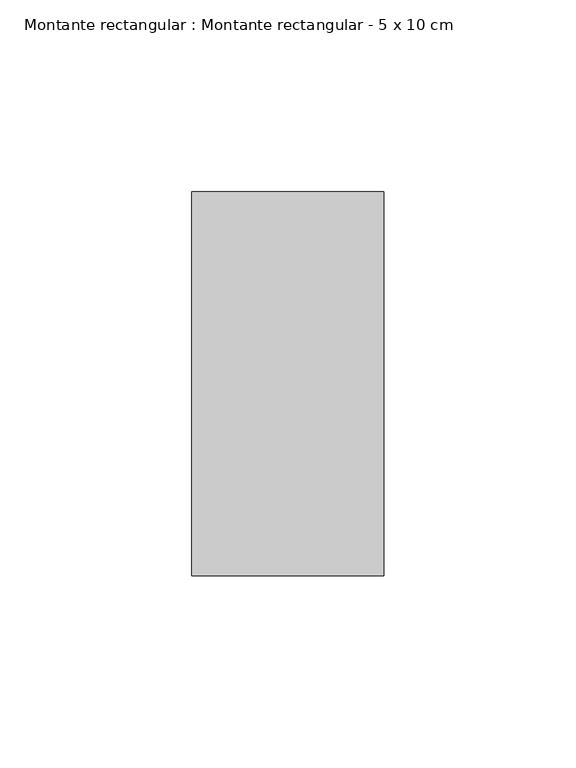
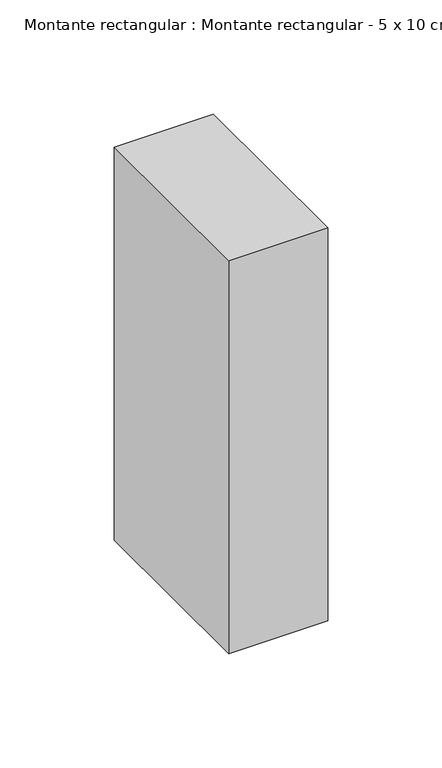
"""IFC4 building model written with IfcOpenShell, lengths in millimetres: member geometry, Montante rectangular : Montante rectangular - 5 x 10 cm."""

from ifc_helpers import new_model, si_unit, frame, origin, place, context, project, spatial, polyline, outline, extrude, source, transform, mapped, element, save


def montante_rectangular_montante_rectangular_5_x_10_cm_49a7960e(model_context):
    return source(origin(), model_context, "Body", "SweptSolid", [
        extrude(outline(polyline([(25.0, 50.0), (25.0, -50.0), (-25.0, -50.0), (-25.0, 50.0), (25.0, 50.0)])), frame((0.0, 0.0, -210.0), z_axis=(0.0, 0.0, 1.0), x_axis=(1.0, 0.0, 0.0)), (0.0, 0.0, 1.0), 210.0),
    ])


if __name__ == "__main__":
    model = new_model("IFC4")
    model_context = context("Model", 3, world=origin())
    ifc_project = project(units=[si_unit("LENGTHUNIT", "METRE", prefix="MILLI")], contexts=[model_context])
    site = spatial("IfcSite", under=ifc_project)
    building = spatial("IfcBuilding", under=site)
    placement = place(None, origin())
    montante_rectangular_montante_rectangular_5_x_10_cm_shape = montante_rectangular_montante_rectangular_5_x_10_cm_49a7960e(model_context)
    element("IfcMember", 1, ObjectType="Montante rectangular : Montante rectangular - 5 x 10 cm", at=placement, inside=building, context=model_context, shape_type="MappedRepresentation", body=[
        mapped(montante_rectangular_montante_rectangular_5_x_10_cm_shape, transform((0.0, 0.0, 0.0), x_axis=(1.0, 0.0, 0.0), y_axis=(0.0, 1.0, 0.0), z_axis=(0.0, 0.0, 1.0))),
    ])
    save(model, "model.ifc")
